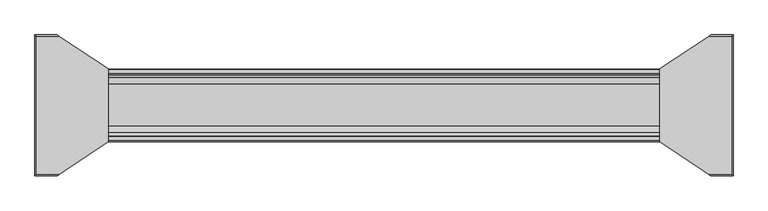
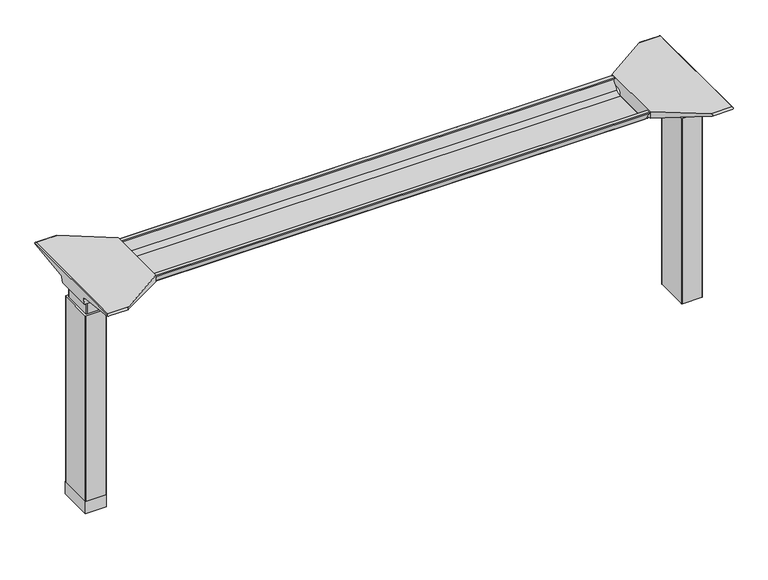
"""IFC4 building model written with IfcOpenShell, lengths in millimetres: furniture geometry."""

from ifc_helpers import new_model, si_unit, point, frame, frame_2d, origin, place, context, project, spatial, polyline, circle_curve, ellipse_curve, trimmed, segment, composite_curve, outline, extrude, source, transform, mapped, element, save
from ifc_brep_helpers import plane_surface, cylinder_surface, revolved_surface, advanced_brep


def furniture_be64d136(model_context):
    return source(origin(), model_context, "Body", "SolidModel", [
        advanced_brep(
        [(-731.4406297, 162.7292702, 645.6121733), (-565.7122138, 162.7292702, 645.6121733), (-580.0924181, 160.5008169, 642.9648785), (-728.9518591, 160.5008169, 642.9648785), (-731.6625278, 162.738256, 645.8482054), (-734.0619089, 163.3822827, 662.7649054), (-551.2773962, 163.3822827, 662.7649054), (-551.2773962, 163.0342965, 653.6243253), (-554.1075093, 162.9531058, 651.4916821), (-554.2501644, 162.8754397, 649.4516191), (-734.9185362, 168.8493181, 668.8045076), (-551.2773962, 168.8493181, 668.8045076), (-737.4393767, 283.4205225, 686.5775507), (-673.2243442, 283.4205225, 686.5775507), (-551.2773962, 202.6158, 674.0425877), (-737.5128152, 287.1965275, 687.0953243), (-678.9229255, 287.1965275, 687.0953243), (-738.1871296, 288.7067839, 691.8495399), (-736.4021288, 286.1298888, 694.0296), (-677.3132011, 286.1298888, 694.0296), (-738.1871296, -70.2667839, 691.8495399), (-737.5128152, -68.7565275, 687.0953243), (-678.9229255, -68.7565275, 687.0953243), (-677.3132011, -67.6898888, 694.0296), (-736.4021288, -67.6898888, 694.0296), (-737.4393767, -64.9805225, 686.5775507), (-673.2243442, -64.9805225, 686.5775507), (-734.9185362, 49.5906819, 668.8045076), (-551.2773962, 49.5906819, 668.8045076), (-551.2773962, 15.8242, 674.0425877), (-734.0619089, 55.0577173, 662.7649054), (-551.2773962, 55.0577173, 662.7649054), (-731.6625278, 55.701744, 645.8482054), (-731.4406297, 55.7107298, 645.6121733), (-565.7122138, 55.7107298, 645.6121733), (-554.2501644, 55.5645603, 649.4516191), (-554.1075093, 55.4868942, 651.4916821), (-551.2773962, 55.4057035, 653.6243253), (-728.9518591, 57.9391831, 642.9648785), (-580.0924181, 57.9391831, 642.9648785), (-551.2773962, 15.8242, 694.0296), (-551.2773962, 202.6158, 694.0296)],
        [
            (0, 1),
            (1, 2, ellipse_curve(frame((-589.9936465, 239.7670009, 737.1292722), z_axis=(0.0, 0.7650318638532662, -0.6439924279750482), x_axis=(0.0, 0.6439924279750482, 0.7650318638532662)), 123.7641411, 94.6835116)),
            (2, 3),
            (3, 0),
            (0, 4),
            (4, 5),
            (5, 6),
            (6, 7),
            (7, 8),
            (8, 9),
            (9, 1, ellipse_curve(frame((-589.9936465, 166.2133686, 737.1292722), z_axis=(0.0, 0.999276106683639, -0.03804290487316255), x_axis=(0.0, 0.03804290487316397, 0.999276106683639)), 94.752102, 94.6835116)),
            (5, 10, ellipse_curve(frame((-734.0119691, 169.8408409, 662.4128075), z_axis=(-0.9900906714849619, 0.0, -0.1404295632637843), x_axis=(-0.1404295632637846, 0.0, 0.9900906714849619)), 6.5328852, 6.4681487)),
            (10, 11),
            (11, 6, circle_curve(frame((-551.2773962, 169.8408409, 662.4128075), z_axis=(1.0, 0.0, 0.0), x_axis=(0.0, 1.0, 0.0)), 6.4681487)),
            (10, 12),
            (12, 13),
            (13, 14),
            (14, 11),
            (12, 15),
            (15, 16),
            (16, 13),
            (15, 17, ellipse_curve(frame((-737.9730772, 285.2194111, 690.3403755), z_axis=(0.9900906714849619, 0.0, 0.1404295632637843), x_axis=(0.1404295632637846, 0.0, -0.9900906714849619)), 3.8379455, 3.7999141)),
            (17, 18, ellipse_curve(frame((-739.422811, 285.2194111, 690.3403755), z_axis=(0.7737284588432124, 0.0, -0.6335173809581766), x_axis=(0.6335173809581766, 0.0, 0.7737284588432124)), 4.9111727, 3.7999141)),
            (18, 19),
            (19, 16, ellipse_curve(frame((-675.939148, 285.2194111, 690.3403755), z_axis=(-0.5523637579768881, -0.833603190297188, 0.0), x_axis=(0.833603190297188, -0.5523637579768881, 0.0)), 6.8793689, 3.7999141)),
            (20, 21, ellipse_curve(frame((-737.9730772, -66.7794111, 690.3403755), z_axis=(0.9900906714849619, 0.0, 0.1404295632637843), x_axis=(0.1404295632637846, 0.0, -0.9900906714849619)), 3.8379455, 3.7999141)),
            (21, 22),
            (22, 23, ellipse_curve(frame((-675.939148, -66.7794111, 690.3403755), z_axis=(-0.5523637579749648, 0.8336031902984624, 0.0), x_axis=(0.8336031902984624, 0.5523637579749648, 0.0)), 6.8793689, 3.7999141)),
            (23, 24),
            (24, 20, ellipse_curve(frame((-739.422811, -66.7794111, 690.3403755), z_axis=(0.7737284588432124, 0.0, -0.6335173809581766), x_axis=(0.6335173809581766, 0.0, 0.7737284588432124)), 4.9111727, 3.7999141)),
            (21, 25),
            (25, 26),
            (26, 22),
            (27, 28),
            (28, 29),
            (29, 26),
            (25, 27),
            (27, 30, ellipse_curve(frame((-734.0119691, 48.5991591, 662.4128075), z_axis=(-0.9900906714849619, 0.0, -0.1404295632637843), x_axis=(-0.1404295632637846, 0.0, 0.9900906714849619)), 6.5328852, 6.4681487)),
            (30, 31),
            (31, 28, circle_curve(frame((-551.2773962, 48.5991591, 662.4128075), z_axis=(1.0, 0.0, 0.0), x_axis=(0.0, 1.0, 0.0)), 6.4681487)),
            (30, 32),
            (32, 33),
            (33, 34),
            (34, 35, ellipse_curve(frame((-589.9936465, 52.2266314, 737.1292722), z_axis=(0.0, -0.9992761066836363, -0.03804290487323539), x_axis=(0.0, 0.03804290487323121, -0.9992761066836364)), 94.752102, 94.6835116)),
            (35, 36),
            (36, 37),
            (37, 31),
            (33, 38),
            (38, 39),
            (39, 34, ellipse_curve(frame((-589.9936465, -21.3270009, 737.1292722), z_axis=(0.0, -0.7650318638534733, -0.643992427974802), x_axis=(0.0, 0.643992427974802, -0.7650318638534732)), 123.7641411, 94.6835116)),
            (4, 32),
            (20, 17),
            (24, 18),
            (23, 40),
            (40, 41),
            (41, 19),
            (37, 7),
            (14, 41),
            (40, 29),
            (36, 8),
            (35, 9),
            (39, 2),
            (38, 3),
        ],
        [
            plane_surface(frame((-754.4773962, 160.5008169, 642.9648785), z_axis=(0.0, 0.7650318638532662, -0.6439924279750482), x_axis=(1.0, 0.0, 0.0))),
            plane_surface(frame((-754.4773962, 162.7292702, 645.6121733), z_axis=(0.0, 0.999276106683639, -0.03804290487316255), x_axis=(1.0, 0.0, 0.0))),
            revolved_surface(polyline([(-734.9293793154884, 176.3089896, 662.4128075), (-551.2773962, 176.3089896, 662.4128075)]), (-754.4773962, 169.8408409, 662.4128075), (-1.0, 0.0, 0.0)),
            plane_surface(frame((-754.4773962, 168.8493181, 668.8045076), z_axis=(0.0, 0.153293135871396, -0.9881807600306302), x_axis=(1.0, 0.0, 0.0))),
            plane_surface(frame((-754.4773962, 283.4205225, 686.5775507), z_axis=(0.0, 0.13585085469026903, -0.9907292996979162), x_axis=(1.0, 0.0, 0.0))),
            cylinder_surface(frame((-754.4773962, 285.2194111, 690.3403755), z_axis=(1.0, 0.0, 0.0), x_axis=(0.0, 1.0, 0.0)), 3.7999141),
            cylinder_surface(frame((-754.4773962, -66.7794111, 690.3403755), z_axis=(1.0, 0.0, 0.0), x_axis=(0.0, 1.0, 0.0)), 3.7999141),
            plane_surface(frame((-754.4773962, -68.7565275, 687.0953243), z_axis=(0.0, -0.13585085468791205, -0.9907292996982394), x_axis=(1.0, 0.0, 0.0))),
            plane_surface(frame((-754.4773962, -64.9805225, 686.5775507), z_axis=(0.0, -0.1532931358714066, -0.9881807600306285), x_axis=(1.0, 0.0, 0.0))),
            revolved_surface(polyline([(-734.9293793154884, 55.0673078, 662.4128075), (-551.2773962, 55.0673078, 662.4128075)]), (-754.4773962, 48.5991591, 662.4128075), (-1.0, 0.0, 0.0)),
            plane_surface(frame((-754.4773962, 55.0577173, 662.7649054), z_axis=(0.0, -0.9992761066836363, -0.03804290487323539), x_axis=(1.0, 0.0, 0.0))),
            plane_surface(frame((-754.4773962, 55.7107298, 645.6121733), z_axis=(0.0, -0.7650318638534733, -0.643992427974802), x_axis=(1.0, 0.0, 0.0))),
            plane_surface(frame((-731.6625278, 299.72, 645.8482054), z_axis=(-0.9900906714849619, 0.0, -0.1404295632637843), x_axis=(0.0, -1.0, 0.0))),
            plane_surface(frame((-738.1871296, 299.72, 691.8495399), z_axis=(-0.7737284588432124, 0.0, 0.6335173809581766), x_axis=(0.0, -1.0, 0.0))),
            plane_surface(frame((-736.4021288, 299.72, 694.0296), z_axis=(0.0, 0.0, 1.0), x_axis=(0.0, -1.0, 0.0))),
            plane_surface(frame((-551.2773962, 299.72, 694.0296), z_axis=(1.0, 0.0, 0.0), x_axis=(0.0, -1.0, 0.0))),
            plane_surface(frame((-551.2773962, 299.72, 653.6243253), z_axis=(0.6018150231516275, 0.0, -0.7986355100476099), x_axis=(0.0, -1.0, 0.0))),
            plane_surface(frame((-554.1075093, 299.72, 651.4916821), z_axis=(0.997564050259955, 0.0, -0.06975647374225681), x_axis=(0.0, -1.0, 0.0))),
            cylinder_surface(frame((-589.9936465, 299.72, 737.1292722), z_axis=(0.0, 1.0, 0.0), x_axis=(1.0, 0.0, 0.0)), 94.6835116),
            plane_surface(frame((-580.0924181, 299.72, 642.9648785), z_axis=(0.0, 0.0, -1.0), x_axis=(0.0, -1.0, 0.0))),
            plane_surface(frame((-728.9518591, 299.72, 642.9648785), z_axis=(-0.7285846064197382, 0.0, -0.684955817033621), x_axis=(0.0, -1.0, 0.0))),
            plane_surface(frame((-697.8228017, 299.72, 694.0296), z_axis=(0.5523637579768881, 0.833603190297188, 0.0), x_axis=(0.0, 0.0, -1.0))),
            plane_surface(frame((-551.2773962, 15.8242, 694.0296), z_axis=(0.5523637579749648, -0.8336031902984624, 0.0), x_axis=(0.0, 0.0, -1.0))),
        ],
        [
            (0, [[1, 2, 3, 4]]),
            (1, [[-1, 5, 6, 7, 8, 9, 10, 11]]),
            (2, [[-7, 12, 13, 14]]),
            (3, [[-13, 15, 16, 17, 18]]),
            (4, [[19, 20, 21, -16]]),
            (5, [[22, 23, 24, 25, -20]]),
            (6, [[26, 27, 28, 29, 30]]),
            (7, [[31, 32, 33, -27]]),
            (8, [[34, 35, 36, -32, 37]]),
            (9, [[-34, 38, 39, 40]]),
            (10, [[-39, 41, 42, 43, 44, 45, 46, 47]]),
            (11, [[-43, 48, 49, 50]]),
            (12, [[51, -41, -38, -37, -31, -26, 52, -22, -19, -15, -12, -6]]),
            (13, [[-52, -30, 53, -23]]),
            (14, [[-53, -29, 54, 55, 56, -24]]),
            (15, [[57, -8, -14, -18, 58, -55, 59, -35, -40, -47]]),
            (16, [[-57, -46, 60, -9]]),
            (17, [[-60, -45, 61, -10]]),
            (18, [[-61, -44, -50, 62, -2, -11]]),
            (19, [[-62, -49, 63, -3]]),
            (20, [[-51, -5, -4, -63, -48, -42]]),
            (21, [[-56, -58, -17, -21, -25]]),
            (22, [[-54, -28, -33, -36, -59]]),
        ],
    ),
        advanced_brep(
        [(870.5122138, 162.7292702, 645.6121733), (1036.2406297, 162.7292702, 645.6121733), (1033.7518591, 160.5008169, 642.9648785), (884.8924181, 160.5008169, 642.9648785), (859.0501644, 162.8754397, 649.4516191), (858.9075093, 162.9531058, 651.4916821), (856.2619573, 163.0290018, 653.4852485), (856.2619573, 163.3822827, 662.7649054), (1038.8619089, 163.3822827, 662.7649054), (1036.4625278, 162.738256, 645.8482054), (856.2619573, 168.8493181, 668.8045076), (1039.7185362, 168.8493181, 668.8045076), (856.2619573, 202.6089953, 674.0415321), (978.0570453, 283.4205225, 686.5775507), (1042.2393767, 283.4205225, 686.5775507), (1042.3128152, 287.1965275, 687.0953243), (983.7480509, 287.1965275, 687.0953243), (1042.9871296, 288.7067839, 691.8495399), (982.1404665, 286.1298888, 694.0296), (1041.2021288, 286.1298888, 694.0296), (1042.3128152, -68.7565275, 687.0953243), (1042.9871296, -70.2667839, 691.8495399), (1041.2021288, -67.6898888, 694.0296), (982.1404665, -67.6898888, 694.0296), (983.7480509, -68.7565275, 687.0953243), (1042.2393767, -64.9805225, 686.5775507), (978.0570453, -64.9805225, 686.5775507), (856.2619573, 49.5906819, 668.8045076), (1039.7185362, 49.5906819, 668.8045076), (856.2619573, 15.8310047, 674.0415321), (856.2619573, 55.0577173, 662.7649054), (1038.8619089, 55.0577173, 662.7649054), (856.2619573, 55.4109982, 653.4852485), (858.9075093, 55.4868942, 651.4916821), (859.0501644, 55.5645603, 649.4516191), (870.5122138, 55.7107298, 645.6121733), (1036.2406297, 55.7107298, 645.6121733), (1036.4625278, 55.701744, 645.8482054), (884.8924181, 57.9391831, 642.9648785), (1033.7518591, 57.9391831, 642.9648785), (856.2619573, 202.6089953, 694.0296), (856.2619573, 15.8310047, 694.0296)],
        [
            (0, 1),
            (1, 2),
            (2, 3),
            (3, 0, ellipse_curve(frame((894.7936465, 239.7670009, 737.1292722), z_axis=(0.0, 0.7650318638532565, -0.6439924279750596), x_axis=(0.0, -0.6439924279750596, -0.7650318638532564)), 123.7641411, 94.6835116)),
            (0, 4, ellipse_curve(frame((894.7936465, 166.2133686, 737.1292722), z_axis=(0.0, 0.9992761066836392, -0.03804290487315862), x_axis=(0.0, -0.03804290487315623, -0.9992761066836393)), 94.752102, 94.6835116)),
            (4, 5),
            (5, 6),
            (6, 7),
            (7, 8),
            (8, 9),
            (9, 1),
            (7, 10, circle_curve(frame((856.2619573, 169.8408409, 662.4128075), z_axis=(-1.0, 0.0, 0.0), x_axis=(0.0, 1.0, 0.0)), 6.4681487)),
            (10, 11),
            (11, 8, ellipse_curve(frame((1038.8119691, 169.8408409, 662.4128075), z_axis=(0.9900906714849659, 0.0, -0.1404295632637567), x_axis=(-0.1404295632637562, 0.0, -0.9900906714849659)), 6.5328852, 6.4681487)),
            (10, 12),
            (12, 13),
            (13, 14),
            (14, 11),
            (15, 14),
            (13, 16),
            (16, 15),
            (17, 15, ellipse_curve(frame((1042.7730772, 285.2194111, 690.3403755), z_axis=(-0.9900906714849659, 0.0, 0.1404295632637567), x_axis=(0.1404295632637562, 0.0, 0.9900906714849659)), 3.8379455, 3.7999141)),
            (16, 18, ellipse_curve(frame((980.76824, 285.2194111, 690.3403755), z_axis=(0.5528743936295237, -0.8332646067539329, 0.0), x_axis=(0.833264606753933, 0.5528743936295238, 0.0)), 6.8730151, 3.7999141)),
            (18, 19),
            (19, 17, ellipse_curve(frame((1044.222811, 285.2194111, 690.3403755), z_axis=(-0.7737284588399557, 0.0, -0.633517380962154), x_axis=(0.6335173809621538, 0.0, -0.7737284588399556)), 4.9111727, 3.7999141)),
            (20, 21, ellipse_curve(frame((1042.7730772, -66.7794111, 690.3403755), z_axis=(-0.9900906714849659, 0.0, 0.1404295632637567), x_axis=(0.1404295632637562, 0.0, 0.9900906714849659)), 3.8379455, 3.7999141)),
            (21, 22, ellipse_curve(frame((1044.222811, -66.7794111, 690.3403755), z_axis=(-0.7737284588399557, 0.0, -0.633517380962154), x_axis=(0.6335173809621538, 0.0, -0.7737284588399556)), 4.9111727, 3.7999141)),
            (22, 23),
            (23, 24, ellipse_curve(frame((980.76824, -66.7794111, 690.3403755), z_axis=(0.5528743936295046, 0.8332646067539456, 0.0), x_axis=(0.8332646067539456, -0.5528743936295046, 0.0)), 6.8730151, 3.7999141)),
            (24, 20),
            (25, 20),
            (24, 26),
            (26, 25),
            (27, 28),
            (28, 25),
            (26, 29),
            (29, 27),
            (27, 30, circle_curve(frame((856.2619573, 48.5991591, 662.4128075), z_axis=(-1.0, 0.0, 0.0), x_axis=(0.0, 1.0, 0.0)), 6.4681487)),
            (30, 31),
            (31, 28, ellipse_curve(frame((1038.8119691, 48.5991591, 662.4128075), z_axis=(0.9900906714849659, 0.0, -0.1404295632637567), x_axis=(-0.1404295632637562, 0.0, -0.9900906714849659)), 6.5328852, 6.4681487)),
            (30, 32),
            (32, 33),
            (33, 34),
            (34, 35, ellipse_curve(frame((894.7936465, 52.2266314, 737.1292722), z_axis=(0.0, -0.9992761066836363, -0.03804290487323539), x_axis=(0.0, -0.03804290487323121, 0.9992761066836364)), 94.752102, 94.6835116)),
            (35, 36),
            (36, 37),
            (37, 31),
            (35, 38, ellipse_curve(frame((894.7936465, -21.3270009, 737.1292722), z_axis=(0.0, -0.7650318638534733, -0.643992427974802), x_axis=(0.0, -0.643992427974802, 0.7650318638534732)), 123.7641411, 94.6835116)),
            (38, 39),
            (39, 36),
            (37, 9),
            (17, 21),
            (19, 22),
            (18, 40),
            (40, 41),
            (41, 23),
            (6, 32),
            (29, 41),
            (40, 12),
            (5, 33),
            (4, 34),
            (3, 38),
            (2, 39),
        ],
        [
            plane_surface(frame((856.2619573, 160.5008169, 642.9648785), z_axis=(0.0, 0.7650318638532565, -0.6439924279750596), x_axis=(1.0, 0.0, 0.0))),
            plane_surface(frame((856.2619573, 162.7292702, 645.6121733), z_axis=(0.0, 0.9992761066836392, -0.03804290487315862), x_axis=(1.0, 0.0, 0.0))),
            revolved_surface(polyline([(856.2619573, 176.3089896, 662.4128075), (1039.7293793154881, 176.3089896, 662.4128075)]), (856.2619573, 169.8408409, 662.4128075), (-1.0, 0.0, 0.0)),
            plane_surface(frame((856.2619573, 168.8493181, 668.8045076), z_axis=(0.0, 0.15329313587140309, -0.988180760030629), x_axis=(1.0, 0.0, 0.0))),
            plane_surface(frame((856.2619573, 283.4205225, 686.5775507), z_axis=(0.0, 0.1358508546900816, -0.9907292996979419), x_axis=(1.0, 0.0, 0.0))),
            cylinder_surface(frame((856.2619573, 285.2194111, 690.3403755), z_axis=(1.0, 0.0, 0.0), x_axis=(0.0, 1.0, 0.0)), 3.7999141),
            cylinder_surface(frame((856.2619573, -66.7794111, 690.3403755), z_axis=(1.0, 0.0, 0.0), x_axis=(0.0, 1.0, 0.0)), 3.7999141),
            plane_surface(frame((856.2619573, -68.7565275, 687.0953243), z_axis=(0.0, -0.1358508546877776, -0.9907292996982578), x_axis=(1.0, 0.0, 0.0))),
            plane_surface(frame((856.2619573, -64.9805225, 686.5775507), z_axis=(0.0, -0.15329313587141113, -0.9881807600306277), x_axis=(1.0, 0.0, 0.0))),
            revolved_surface(polyline([(856.2619573, 55.0673078, 662.4128075), (1039.7293793154881, 55.0673078, 662.4128075)]), (856.2619573, 48.5991591, 662.4128075), (-1.0, 0.0, 0.0)),
            plane_surface(frame((856.2619573, 55.0577173, 662.7649054), z_axis=(0.0, -0.9992761066836363, -0.03804290487323539), x_axis=(1.0, 0.0, 0.0))),
            plane_surface(frame((856.2619573, 55.7107298, 645.6121733), z_axis=(0.0, -0.7650318638534733, -0.643992427974802), x_axis=(1.0, 0.0, 0.0))),
            plane_surface(frame((1036.4625278, -81.28, 645.8482054), z_axis=(0.9900906714849659, 0.0, -0.1404295632637567), x_axis=(0.0, 1.0, 0.0))),
            plane_surface(frame((1042.9871296, -81.28, 691.8495399), z_axis=(0.7737284588399557, 0.0, 0.633517380962154), x_axis=(0.0, 1.0, 0.0))),
            plane_surface(frame((1041.2021288, -81.28, 694.0296), z_axis=(0.0, 0.0, 1.0), x_axis=(0.0, 1.0, 0.0))),
            plane_surface(frame((856.2619573, -81.28, 694.0296), z_axis=(-1.0, 0.0, 0.0), x_axis=(0.0, 1.0, 0.0))),
            plane_surface(frame((856.2619573, -81.28, 653.4852485), z_axis=(-0.6018150231540728, 0.0, -0.7986355100457674), x_axis=(0.0, 1.0, 0.0))),
            plane_surface(frame((858.9075093, -81.28, 651.4916821), z_axis=(-0.9975640502598287, 0.0, -0.06975647374406109), x_axis=(0.0, 1.0, 0.0))),
            cylinder_surface(frame((894.7936465, -81.28, 737.1292722), z_axis=(0.0, -1.0, 0.0), x_axis=(-1.0, 0.0, 0.0)), 94.6835116),
            plane_surface(frame((884.8924181, -81.28, 642.9648785), z_axis=(0.0, 0.0, -1.0), x_axis=(0.0, 1.0, 0.0))),
            plane_surface(frame((1033.7518591, -81.28, 642.9648785), z_axis=(0.7285846064222696, 0.0, -0.6849558170309284), x_axis=(0.0, 1.0, 0.0))),
            plane_surface(frame((856.2619573, 202.6089953, 694.0296), z_axis=(-0.5528743936295237, 0.8332646067539329, 0.0), x_axis=(0.0, 0.0, -1.0))),
            plane_surface(frame((1002.6228017, -81.28, 694.0296), z_axis=(-0.5528743936295046, -0.8332646067539456, 0.0), x_axis=(0.0, 0.0, -1.0))),
        ],
        [
            (0, [[1, 2, 3, 4]]),
            (1, [[-1, 5, 6, 7, 8, 9, 10, 11]]),
            (2, [[-9, 12, 13, 14]]),
            (3, [[-13, 15, 16, 17, 18]]),
            (4, [[19, -17, 20, 21]]),
            (5, [[22, -21, 23, 24, 25]]),
            (6, [[26, 27, 28, 29, 30]]),
            (7, [[31, -30, 32, 33]]),
            (8, [[34, 35, -33, 36, 37]]),
            (9, [[-34, 38, 39, 40]]),
            (10, [[-39, 41, 42, 43, 44, 45, 46, 47]]),
            (11, [[-45, 48, 49, 50]]),
            (12, [[51, -10, -14, -18, -19, -22, 52, -26, -31, -35, -40, -47]]),
            (13, [[-52, -25, 53, -27]]),
            (14, [[-53, -24, 54, 55, 56, -28]]),
            (15, [[57, -41, -38, -37, 58, -55, 59, -15, -12, -8]]),
            (16, [[-57, -7, 60, -42]]),
            (17, [[-60, -6, 61, -43]]),
            (18, [[-61, -5, -4, 62, -48, -44]]),
            (19, [[-62, -3, 63, -49]]),
            (20, [[-51, -46, -50, -63, -2, -11]]),
            (21, [[-54, -23, -20, -16, -59]]),
            (22, [[-56, -58, -36, -32, -29]]),
        ],
    ),
        advanced_brep(
        [(-551.2773962, 187.9031697, 688.8000894), (-551.2773962, 189.6675242, 691.0281511), (-551.2773962, 200.6481225, 691.0281511), (-551.2773962, 201.3782919, 688.4299085), (-551.2773962, 179.9519108, 658.8668148), (-551.2773962, 162.5510914, 650.2658863), (-551.2773962, 55.7632156, 650.2658863), (-551.2773962, 38.1354217, 659.3203482), (-551.2773962, 16.8007138, 689.0912054), (-551.2773962, 18.4392766, 691.1472572), (-551.2773962, 28.6544098, 691.1472572), (-551.2773962, 30.5253848, 688.8000894), (-551.2773962, 29.7841637, 688.2629822), (-551.2773962, 28.2139363, 690.2328572), (-551.2773962, 18.5353238, 690.2328572), (-551.2773962, 17.7294351, 689.3650366), (-551.2773962, 38.8786744, 659.8529858), (-551.2773962, 55.7632156, 651.1804536), (-551.2773962, 162.5510914, 651.1802863), (-551.2773962, 179.21844, 659.4129713), (-551.2773962, 200.5721627, 688.8758144), (-551.2773962, 200.3148942, 690.1137511), (-551.2773962, 190.109809, 690.1137511), (-551.2773962, 188.6442719, 688.2630419), (856.2619573, 187.9031697, 688.8000894), (856.2619573, 188.6442719, 688.2630419), (856.2619573, 190.109809, 690.1137511), (856.2619573, 200.3148942, 690.1137511), (856.2619573, 200.5721627, 688.8758144), (856.2619573, 179.21844, 659.4129713), (856.2619573, 162.5510914, 651.1802863), (856.2619573, 55.7632155, 651.1802863), (856.2619573, 38.8786744, 659.8529858), (856.2619573, 17.7294351, 689.3650366), (856.2619573, 18.5353238, 690.2328572), (856.2619573, 28.2139363, 690.2328572), (856.2619573, 29.7841637, 688.2629822), (856.2619573, 30.5253848, 688.8000894), (856.2619573, 28.6544098, 691.1472572), (856.2619573, 18.4392766, 691.1472572), (856.2619573, 16.8007138, 689.0912054), (856.2619573, 38.1354217, 659.3203482), (856.2619573, 55.7632156, 650.2660536), (856.2619573, 162.5510914, 650.2658863), (856.2619573, 179.9519108, 658.8668148), (856.2619573, 201.3782919, 688.4299085), (856.2619573, 200.6481225, 691.0281511), (856.2619573, 189.6675242, 691.0281511)],
        [
            (0, 1),
            (1, 2),
            (2, 3, circle_curve(frame((-551.2773962, 199.4305576, 689.2842667), z_axis=(-1.0, 0.0, 0.0), x_axis=(0.0, 1.0, 0.0)), 2.1268749)),
            (3, 4),
            (4, 5, circle_curve(frame((-551.2773962, 162.5510914, 672.1684336), z_axis=(-1.0, 0.0, 0.0), x_axis=(0.0, 1.0, 0.0)), 21.9025472)),
            (5, 6),
            (6, 7, circle_curve(frame((-551.2773962, 55.7632156, 671.952965), z_axis=(-1.0, 0.0, 0.0), x_axis=(0.0, 1.0, 0.0)), 21.6869114)),
            (7, 8),
            (8, 9, circle_curve(frame((-551.2773962, 18.8010635, 689.1779833), z_axis=(-1.0, 0.0, 0.0), x_axis=(0.0, 1.0, 0.0)), 2.0022311)),
            (9, 10),
            (10, 11),
            (11, 12),
            (12, 13),
            (13, 14),
            (14, 15, circle_curve(frame((-551.2773962, 18.8010635, 689.1779833), z_axis=(1.0, 0.0, 0.0), x_axis=(0.0, 1.0, 0.0)), 1.0878311)),
            (15, 16),
            (16, 17, circle_curve(frame((-551.2773962, 55.7632156, 671.952965), z_axis=(1.0, 0.0, 0.0), x_axis=(0.0, 1.0, 0.0)), 20.7725114)),
            (17, 18),
            (18, 19, circle_curve(frame((-551.2773962, 162.5510914, 672.1684336), z_axis=(1.0, 0.0, 0.0), x_axis=(0.0, 1.0, 0.0)), 20.9881473)),
            (19, 20),
            (20, 21, circle_curve(frame((-551.2773962, 199.4305576, 689.2842667), z_axis=(1.0, 0.0, 0.0), x_axis=(0.0, 1.0, 0.0)), 1.2124749)),
            (21, 22),
            (22, 23),
            (23, 0),
            (24, 25),
            (25, 26),
            (26, 27),
            (27, 28, circle_curve(frame((856.2619573, 199.4305576, 689.2842667), z_axis=(-1.0, 0.0, 0.0), x_axis=(0.0, 1.0, 0.0)), 1.2124749)),
            (28, 29),
            (29, 30, circle_curve(frame((856.2619573, 162.5510914, 672.1684336), z_axis=(-1.0, 0.0, 0.0), x_axis=(0.0, 1.0, 0.0)), 20.9881473)),
            (30, 31),
            (31, 32, circle_curve(frame((856.2619573, 55.7632156, 671.952965), z_axis=(-1.0, 0.0, 0.0), x_axis=(0.0, 1.0, 0.0)), 20.7725114)),
            (32, 33),
            (33, 34, circle_curve(frame((856.2619573, 18.8010635, 689.1779833), z_axis=(-1.0, 0.0, 0.0), x_axis=(0.0, 1.0, 0.0)), 1.0878311)),
            (34, 35),
            (35, 36),
            (36, 37),
            (37, 38),
            (38, 39),
            (39, 40, circle_curve(frame((856.2619573, 18.8010635, 689.1779833), z_axis=(1.0, 0.0, 0.0), x_axis=(0.0, 1.0, 0.0)), 2.0022311)),
            (40, 41),
            (41, 42, circle_curve(frame((856.2619573, 55.7632156, 671.952965), z_axis=(1.0, 0.0, 0.0), x_axis=(0.0, 1.0, 0.0)), 21.6869114)),
            (42, 43),
            (43, 44, circle_curve(frame((856.2619573, 162.5510914, 672.1684336), z_axis=(1.0, 0.0, 0.0), x_axis=(0.0, 1.0, 0.0)), 21.9025472)),
            (44, 45),
            (45, 46, circle_curve(frame((856.2619573, 199.4305576, 689.2842667), z_axis=(1.0, 0.0, 0.0), x_axis=(0.0, 1.0, 0.0)), 2.1268749)),
            (46, 47),
            (47, 24),
            (0, 24),
            (47, 1),
            (46, 2),
            (45, 3),
            (44, 4),
            (43, 5),
            (42, 6),
            (41, 7),
            (40, 8),
            (39, 9),
            (38, 10),
            (37, 11),
            (36, 12),
            (35, 13),
            (34, 14),
            (33, 15),
            (32, 16),
            (31, 17),
            (30, 18),
            (29, 19),
            (28, 20),
            (27, 21),
            (26, 22),
            (25, 23),
        ],
        [
            plane_surface(frame((-551.2773962, 109.22, 694.0296), z_axis=(-1.0, 0.0, 0.0), x_axis=(0.0, 0.0, 1.0))),
            plane_surface(frame((856.2619573, 109.22, 694.0296), z_axis=(1.0, 0.0, 0.0), x_axis=(0.0, 0.0, 1.0))),
            plane_surface(frame((-551.2773962, 187.9031697, 688.8000894), z_axis=(0.0, -0.7839649337165058, 0.6208051084703434), x_axis=(1.0, 0.0, 0.0))),
            plane_surface(frame((-551.2773962, 189.6675242, 691.0281511), z_axis=(0.0, 0.0, 1.0), x_axis=(1.0, 0.0, 0.0))),
            cylinder_surface(frame((-551.2773962, 199.4305576, 689.2842667), z_axis=(-1.0, 0.0, 0.0), x_axis=(0.0, 1.0, 0.0)), 2.1268749),
            plane_surface(frame((-551.2773962, 201.3782919, 688.4299085), z_axis=(0.0, 0.8096997445281038, -0.586844377762217), x_axis=(1.0, 0.0, 0.0))),
            cylinder_surface(frame((-551.2773962, 162.5510914, 672.1684336), z_axis=(-1.0, 0.0, 0.0), x_axis=(0.0, 1.0, 0.0)), 21.9025472),
            plane_surface(frame((-551.2773962, 162.5510914, 650.2658863), z_axis=(0.0, 0.0, -1.0), x_axis=(1.0, 0.0, 0.0))),
            cylinder_surface(frame((-551.2773962, 55.7632156, 671.952965), z_axis=(-1.0, 0.0, 0.0), x_axis=(0.0, 1.0, 0.0)), 21.6869114),
            plane_surface(frame((-551.2773962, 38.1354217, 659.3203482), z_axis=(0.0, -0.8128309997561537, -0.5824995844079305), x_axis=(1.0, 0.0, 0.0))),
            cylinder_surface(frame((-551.2773962, 18.8010635, 689.1779833), z_axis=(-1.0, 0.0, 0.0), x_axis=(0.0, 1.0, 0.0)), 2.0022311),
            plane_surface(frame((-551.2773962, 18.4392766, 691.1472572), z_axis=(0.0, 0.0, 1.0), x_axis=(1.0, 0.0, 0.0))),
            plane_surface(frame((-551.2773962, 28.6544098, 691.1472572), z_axis=(0.0, 0.7819660587237972, 0.6233210112004657), x_axis=(1.0, 0.0, 0.0))),
            plane_surface(frame((-551.2773962, 30.5253848, 688.8000894), z_axis=(0.0, 0.5867684336468096, -0.8097547809526473), x_axis=(1.0, 0.0, 0.0))),
            plane_surface(frame((-551.2773962, 29.7841637, 688.2629822), z_axis=(0.0, -0.7819660587239206, -0.6233210112003109), x_axis=(1.0, 0.0, 0.0))),
            plane_surface(frame((-551.2773962, 28.2139363, 690.2328572), z_axis=(0.0, 0.0, -1.0), x_axis=(1.0, 0.0, 0.0))),
            revolved_surface(polyline([(856.2619572999998, 19.8888946, 689.1779833), (-551.2773962, 19.8888946, 689.1779833)]), (-551.2773962, 18.8010635, 689.1779833), (1.0, 0.0, 0.0)),
            plane_surface(frame((-551.2773962, 17.7294351, 689.3650366), z_axis=(0.0, 0.8128309996716102, 0.582499584525904), x_axis=(1.0, 0.0, 0.0))),
            revolved_surface(polyline([(856.2619572999998, 76.53572700000001, 671.952965), (-551.2773962, 76.53572700000001, 671.952965)]), (-551.2773962, 55.7632156, 671.952965), (1.0, 0.0, 0.0)),
            plane_surface(frame((-551.2773962, 55.7632155, 651.1802863), z_axis=(0.0, 0.0, 1.0), x_axis=(1.0, 0.0, 0.0))),
            revolved_surface(polyline([(856.2619572999998, 183.5392387, 672.1684336), (-551.2773962, 183.5392387, 672.1684336)]), (-551.2773962, 162.5510914, 672.1684336), (1.0, 0.0, 0.0)),
            plane_surface(frame((-551.2773962, 179.21844, 659.4129713), z_axis=(0.0, -0.8096997449536107, 0.5868443771751228), x_axis=(1.0, 0.0, 0.0))),
            revolved_surface(polyline([(856.2619572999998, 200.64303249999998, 689.2842667), (-551.2773962, 200.64303249999998, 689.2842667)]), (-551.2773962, 199.4305576, 689.2842667), (1.0, 0.0, 0.0)),
            plane_surface(frame((-551.2773962, 200.3148942, 690.1137511), z_axis=(0.0, 0.0, -1.0), x_axis=(1.0, 0.0, 0.0))),
            plane_surface(frame((-551.2773962, 190.109809, 690.1137511), z_axis=(0.0, 0.7839649337164979, -0.6208051084703533), x_axis=(1.0, 0.0, 0.0))),
            plane_surface(frame((-551.2773962, 188.6442719, 688.2630419), z_axis=(0.0, -0.5867873637752554, -0.8097410633737715), x_axis=(1.0, 0.0, 0.0))),
        ],
        [
            (0, [[1, 2, 3, 4, 5, 6, 7, 8, 9, 10, 11, 12, 13, 14, 15, 16, 17, 18, 19, 20, 21, 22, 23, 24]]),
            (1, [[25, 26, 27, 28, 29, 30, 31, 32, 33, 34, 35, 36, 37, 38, 39, 40, 41, 42, 43, 44, 45, 46, 47, 48]]),
            (2, [[-1, 49, -48, 50]]),
            (3, [[-2, -50, -47, 51]]),
            (4, [[-3, -51, -46, 52]]),
            (5, [[-4, -52, -45, 53]]),
            (6, [[-5, -53, -44, 54]]),
            (7, [[-6, -54, -43, 55]]),
            (8, [[-7, -55, -42, 56]]),
            (9, [[-8, -56, -41, 57]]),
            (10, [[-9, -57, -40, 58]]),
            (11, [[-10, -58, -39, 59]]),
            (12, [[-11, -59, -38, 60]]),
            (13, [[-12, -60, -37, 61]]),
            (14, [[-13, -61, -36, 62]]),
            (15, [[-14, -62, -35, 63]]),
            (16, [[-15, -63, -34, 64]]),
            (17, [[-16, -64, -33, 65]]),
            (18, [[-17, -65, -32, 66]]),
            (19, [[-18, -66, -31, 67]]),
            (20, [[-19, -67, -30, 68]]),
            (21, [[-20, -68, -29, 69]]),
            (22, [[-21, -69, -28, 70]]),
            (23, [[-22, -70, -27, 71]]),
            (24, [[-23, -71, -26, 72]]),
            (25, [[-24, -72, -25, -49]]),
        ],
    ),
        advanced_brep(
        [(979.8283088, 153.9682497, 642.9648785), (977.0624028, 151.6150111, 642.9648785), (977.0624028, 66.8413858, 642.9648785), (980.1159671, 64.491987, 642.9648785), (1023.4299922, 64.4717503, 642.9648785), (1026.4895972, 66.8414936, 642.9648785), (1026.4895972, 151.6150956, 642.9648785), (1023.7236912, 153.9682497, 642.9648785), (979.8283088, 153.9682497, 606.552), (1023.7236912, 153.9682497, 606.552), (1026.4895972, 151.6150956, 606.552), (1026.4895972, 66.8414936, 606.552), (1023.4360098, 64.4919923, 606.552), (980.1220078, 64.4717503, 606.552), (977.0624028, 66.8413858, 606.552), (977.0624028, 151.6150111, 606.552)],
        [
            (0, 1, circle_curve(frame((980.1300788, 150.8114719, 642.9648785), z_axis=(0.0, 0.0, 1.0), x_axis=(1.0, 0.0, 0.0)), 3.1711688)),
            (1, 2),
            (2, 3, circle_curve(frame((980.1159671, 67.651078, 642.9648785), z_axis=(0.0, 0.0, 1.0), x_axis=(1.0, 0.0, 0.0)), 3.1590911)),
            (3, 4),
            (4, 5, circle_curve(frame((1023.4360098, 67.651078, 642.9648785), z_axis=(0.0, 0.0, 1.0), x_axis=(1.0, 0.0, 0.0)), 3.1590858)),
            (5, 6),
            (6, 7, circle_curve(frame((1023.4219439, 150.8114698, 642.9648785), z_axis=(0.0, 0.0, 1.0), x_axis=(1.0, 0.0, 0.0)), 3.1711687)),
            (7, 0),
            (8, 9),
            (9, 10, circle_curve(frame((1023.4219439, 150.8114698, 606.552), z_axis=(0.0, 0.0, -1.0), x_axis=(1.0, 0.0, 0.0)), 3.1711687)),
            (10, 11),
            (11, 12, circle_curve(frame((1023.4360098, 67.651078, 606.552), z_axis=(0.0, 0.0, -1.0), x_axis=(1.0, 0.0, 0.0)), 3.1590858)),
            (12, 13),
            (13, 14, circle_curve(frame((980.1159671, 67.651078, 606.552), z_axis=(0.0, 0.0, -1.0), x_axis=(1.0, 0.0, 0.0)), 3.1590911)),
            (14, 15),
            (15, 8, circle_curve(frame((980.1300788, 150.8114719, 606.552), z_axis=(0.0, 0.0, -1.0), x_axis=(1.0, 0.0, 0.0)), 3.1711688)),
            (7, 9),
            (8, 0),
            (6, 10),
            (5, 11),
            (4, 12),
            (3, 13),
            (2, 14),
            (1, 15),
        ],
        [
            plane_surface(frame((983.3012476, 150.8114719, 642.9648785), z_axis=(0.0, 0.0, 1.0), x_axis=(0.0, 1.0, 0.0))),
            plane_surface(frame((983.3012476, 150.8114719, 606.552), z_axis=(0.0, 0.0, -1.0), x_axis=(0.0, -1.0, 0.0))),
            plane_surface(frame((1023.7236912, 153.9682497, 642.9648785), z_axis=(0.0, 1.0, 0.0), x_axis=(0.0, 0.0, -1.0))),
            cylinder_surface(frame((1023.4219439, 150.8114698, 606.552), z_axis=(0.0, 0.0, 1.0), x_axis=(1.0, 0.0, 0.0)), 3.1711687),
            plane_surface(frame((1026.4895972, 66.8414936, 642.9648785), z_axis=(1.0, 0.0, 0.0), x_axis=(0.0, 0.0, -1.0))),
            cylinder_surface(frame((1023.4360098, 67.651078, 606.552), z_axis=(0.0, 0.0, 1.0), x_axis=(1.0, 0.0, 0.0)), 3.1590858),
            plane_surface(frame((980.1220078, 64.4717503, 642.9648785), z_axis=(0.0, -1.0, 0.0), x_axis=(0.0, 0.0, -1.0))),
            cylinder_surface(frame((980.1159671, 67.651078, 606.552), z_axis=(0.0, 0.0, 1.0), x_axis=(1.0, 0.0, 0.0)), 3.1590911),
            plane_surface(frame((977.0624028, 151.6150111, 642.9648785), z_axis=(-1.0, 0.0, 0.0), x_axis=(0.0, 0.0, -1.0))),
            cylinder_surface(frame((980.1300788, 150.8114719, 606.552), z_axis=(0.0, 0.0, 1.0), x_axis=(1.0, 0.0, 0.0)), 3.1711688),
        ],
        [
            (0, [[1, 2, 3, 4, 5, 6, 7, 8]]),
            (1, [[9, 10, 11, 12, 13, 14, 15, 16]]),
            (2, [[-8, 17, -9, 18]]),
            (3, [[-7, 19, -10, -17]]),
            (4, [[-6, 20, -11, -19]]),
            (5, [[-5, 21, -12, -20]]),
            (6, [[-4, 22, -13, -21]]),
            (7, [[-3, 23, -14, -22]]),
            (8, [[-2, 24, -15, -23]]),
            (9, [[-1, -18, -16, -24]]),
        ],
    ),
        advanced_brep(
        [(-675.0283088, 153.9682497, 642.9648785), (-718.9236912, 153.9682497, 642.9648785), (-721.6806448, 151.6485241, 642.9648785), (-721.6806448, 66.8084508, 642.9648785), (-718.6360098, 64.4919923, 642.9648785), (-675.3220078, 64.4717503, 642.9648785), (-672.2713552, 66.8083475, 642.9648785), (-672.2713552, 151.6484433, 642.9648785), (-675.0283088, 153.9682497, 606.552), (-672.2713552, 151.6484433, 606.552), (-672.2713552, 66.8083475, 606.552), (-675.3159671, 64.491987, 606.552), (-718.6299922, 64.4717503, 606.552), (-721.6806448, 66.8084508, 606.552), (-721.6806448, 151.6485241, 606.552), (-718.9236912, 153.9682497, 606.552)],
        [
            (0, 1),
            (1, 2, circle_curve(frame((-718.6219439, 150.8114698, 642.9648785), z_axis=(0.0, 0.0, 1.0), x_axis=(-1.0, 0.0, 0.0)), 3.1711687)),
            (2, 3),
            (3, 4, circle_curve(frame((-718.6360098, 67.651078, 642.9648785), z_axis=(0.0, 0.0, 1.0), x_axis=(-1.0, 0.0, 0.0)), 3.1590858)),
            (4, 5),
            (5, 6, circle_curve(frame((-675.3159671, 67.6510781, 642.9648785), z_axis=(0.0, 0.0, 1.0), x_axis=(-1.0, 0.0, 0.0)), 3.1590911)),
            (6, 7),
            (7, 0, circle_curve(frame((-675.3300788, 150.8114719, 642.9648785), z_axis=(0.0, 0.0, 1.0), x_axis=(-1.0, 0.0, 0.0)), 3.1711688)),
            (8, 9, circle_curve(frame((-675.3300788, 150.8114719, 606.552), z_axis=(0.0, 0.0, -1.0), x_axis=(-1.0, 0.0, 0.0)), 3.1711688)),
            (9, 10),
            (10, 11, circle_curve(frame((-675.3159671, 67.6510781, 606.552), z_axis=(0.0, 0.0, -1.0), x_axis=(-1.0, 0.0, 0.0)), 3.1590911)),
            (11, 12),
            (12, 13, circle_curve(frame((-718.6360098, 67.651078, 606.552), z_axis=(0.0, 0.0, -1.0), x_axis=(-1.0, 0.0, 0.0)), 3.1590858)),
            (13, 14),
            (14, 15, circle_curve(frame((-718.6219439, 150.8114698, 606.552), z_axis=(0.0, 0.0, -1.0), x_axis=(-1.0, 0.0, 0.0)), 3.1711687)),
            (15, 8),
            (0, 8),
            (15, 1),
            (14, 2),
            (13, 3),
            (12, 4),
            (11, 5),
            (10, 6),
            (9, 7),
        ],
        [
            plane_surface(frame((-718.9236912, 153.9682497, 642.9648785), z_axis=(0.0, 0.0, 1.0), x_axis=(-1.0, 0.0, 0.0))),
            plane_surface(frame((-718.9236912, 153.9682497, 606.552), z_axis=(0.0, 0.0, -1.0), x_axis=(1.0, 0.0, 0.0))),
            plane_surface(frame((-675.0283088, 153.9682497, 642.9648785), z_axis=(0.0, 1.0, 0.0), x_axis=(0.0, 0.0, -1.0))),
            cylinder_surface(frame((-718.6219439, 150.8114698, 606.552), z_axis=(0.0, 0.0, 1.0), x_axis=(-1.0, 0.0, 0.0)), 3.1711687),
            plane_surface(frame((-721.6806448, 151.6485241, 642.9648785), z_axis=(-1.0, 0.0, 0.0), x_axis=(0.0, 0.0, -1.0))),
            cylinder_surface(frame((-718.6360098, 67.651078, 606.552), z_axis=(0.0, 0.0, 1.0), x_axis=(-1.0, 0.0, 0.0)), 3.1590858),
            plane_surface(frame((-718.6299922, 64.4717503, 642.9648785), z_axis=(0.0, -1.0, 0.0), x_axis=(0.0, 0.0, -1.0))),
            cylinder_surface(frame((-675.3159671, 67.6510781, 606.552), z_axis=(0.0, 0.0, 1.0), x_axis=(-1.0, 0.0, 0.0)), 3.1590911),
            plane_surface(frame((-672.2713552, 66.8083475, 642.9648785), z_axis=(1.0, 0.0, 0.0), x_axis=(0.0, 0.0, -1.0))),
            cylinder_surface(frame((-675.3300788, 150.8114719, 606.552), z_axis=(0.0, 0.0, 1.0), x_axis=(-1.0, 0.0, 0.0)), 3.1711688),
        ],
        [
            (0, [[1, 2, 3, 4, 5, 6, 7, 8]]),
            (1, [[9, 10, 11, 12, 13, 14, 15, 16]]),
            (2, [[-1, 17, -16, 18]]),
            (3, [[-2, -18, -15, 19]]),
            (4, [[-3, -19, -14, 20]]),
            (5, [[-4, -20, -13, 21]]),
            (6, [[-5, -21, -12, 22]]),
            (7, [[-6, -22, -11, 23]]),
            (8, [[-7, -23, -10, 24]]),
            (9, [[-8, -24, -9, -17]]),
        ],
    ),
        extrude(outline(composite_curve([segment(trimmed(circle_curve(frame_2d((-669.316092, 156.945908)), 2.248592), [point((-669.316092, 159.1945))], [point((-667.0675, 156.945908))], False, "CARTESIAN"), True, "CONTINUOUS"), segment(polyline([(-667.0675, 156.945908), (-667.0675, 61.4941469)]), True, "CONTINUOUS"), segment(trimmed(circle_curve(frame_2d((-669.3161469, 61.4941469)), 2.2486469), [point((-667.0675, 61.4941469))], [point((-669.3161469, 59.2455))], False, "CARTESIAN"), True, "CONTINUOUS"), segment(polyline([(-669.3161469, 59.2455), (-724.635908, 59.2455)]), True, "CONTINUOUS"), segment(trimmed(circle_curve(frame_2d((-724.635908, 61.494092)), 2.248592), [point((-724.635908, 59.2455))], [point((-726.8845, 61.494092))], False, "CARTESIAN"), True, "CONTINUOUS"), segment(polyline([(-726.8845, 61.494092), (-726.8845, 156.945908)]), True, "CONTINUOUS"), segment(trimmed(circle_curve(frame_2d((-724.635908, 156.945908)), 2.248592), [point((-726.8845, 156.945908))], [point((-724.635908, 159.1945))], False, "CARTESIAN"), True, "CONTINUOUS"), segment(polyline([(-724.635908, 159.1945), (-669.316092, 159.1945)]), True, "CONTINUOUS")], self_intersect=False)), frame((0.0, 0.0, 48.1000573), z_axis=(0.0, 0.0, 1.0), x_axis=(1.0, 0.0, 0.0)), (0.0, 0.0, 1.0), 558.4519427),
        advanced_brep(
        [(-696.976, 127.2221653, 10.2361894), (-696.976, 141.2419153, 10.2361894), (-696.976, 140.8547401, 8.7946116), (-696.976, 127.6093405, 8.7946116), (-696.976, 134.2320403, 10.2361894), (-696.976, 113.2751519, 0.0), (-696.976, 155.1889286, 0.0), (-696.976, 134.2320403, 0.0), (-696.976, 111.7314216, 1.5436985), (-696.976, 156.732659, 1.5436985), (-696.976, 111.7314763, 4.1072626), (-696.976, 156.7326043, 4.1072626), (-696.976, 113.2713167, 5.9174378), (-696.976, 155.1927639, 5.9174378)],
        [
            (0, 1, circle_curve(frame((-696.976, 134.2320403, 10.2361894), z_axis=(0.0, 0.0, -1.0), x_axis=(0.0, 1.0, 0.0)), 7.009875)),
            (1, 2),
            (2, 3, circle_curve(frame((-696.976, 134.2320403, 8.7946116), z_axis=(0.0, 0.0, 1.0), x_axis=(0.0, 1.0, 0.0)), 6.6226998)),
            (3, 0),
            (1, 0, circle_curve(frame((-696.976, 134.2320403, 10.2361894), z_axis=(0.0, 0.0, -1.0), x_axis=(0.0, 1.0, 0.0)), 7.009875)),
            (3, 2, circle_curve(frame((-696.976, 134.2320403, 8.7946116), z_axis=(0.0, 0.0, 1.0), x_axis=(0.0, 1.0, 0.0)), 6.6226998)),
            (4, 1),
            (0, 4),
            (5, 6, circle_curve(frame((-696.976, 134.2320403, 0.0), z_axis=(0.0, 0.0, -1.0), x_axis=(0.0, 1.0, 0.0)), 20.9568884)),
            (6, 7),
            (7, 5),
            (6, 5, circle_curve(frame((-696.976, 134.2320403, 0.0), z_axis=(0.0, 0.0, -1.0), x_axis=(0.0, 1.0, 0.0)), 20.9568884)),
            (8, 9, circle_curve(frame((-696.976, 134.2320403, 1.5436985), z_axis=(0.0, 0.0, -1.0), x_axis=(0.0, 1.0, 0.0)), 22.5006187)),
            (9, 6),
            (5, 8),
            (9, 8, circle_curve(frame((-696.976, 134.2320403, 1.5436985), z_axis=(0.0, 0.0, -1.0), x_axis=(0.0, 1.0, 0.0)), 22.5006187)),
            (10, 11, circle_curve(frame((-696.976, 134.2320403, 4.1072626), z_axis=(0.0, 0.0, -1.0), x_axis=(0.0, 1.0, 0.0)), 22.500564)),
            (11, 9),
            (8, 10),
            (11, 10, circle_curve(frame((-696.976, 134.2320403, 4.1072626), z_axis=(0.0, 0.0, -1.0), x_axis=(0.0, 1.0, 0.0)), 22.500564)),
            (12, 13, circle_curve(frame((-696.976, 134.2320403, 5.9174378), z_axis=(0.0, 0.0, -1.0), x_axis=(0.0, 1.0, 0.0)), 20.9607236)),
            (13, 11),
            (10, 12),
            (13, 12, circle_curve(frame((-696.976, 134.2320403, 5.9174378), z_axis=(0.0, 0.0, -1.0), x_axis=(0.0, 1.0, 0.0)), 20.9607236)),
            (2, 13),
            (12, 3),
        ],
        [
            revolved_surface(polyline([(-696.976, 140.8547401, 8.7946116), (-696.976, 141.2419153, 10.2361894)]), (-696.976, 134.2320403, 0.0), (0.0, 0.0, 1.0)),
            plane_surface(frame((-696.976, 134.2320403, 10.2361894), z_axis=(0.0, 0.0, 1.0), x_axis=(0.0, 1.0, 0.0))),
            plane_surface(frame((-696.976, 134.2320403, 0.0), z_axis=(0.0, 0.0, -1.0), x_axis=(0.0, 1.0, 0.0))),
            revolved_surface(polyline([(-696.976, 155.1889286, 0.0), (-696.976, 156.732659, 1.5436985)]), (-696.976, 134.2320403, 0.0), (0.0, 0.0, 1.0)),
            cylinder_surface(frame((-696.976, 134.2320403, 0.0), z_axis=(0.0, 0.0, 1.0), x_axis=(0.0, 1.0, 0.0)), 22.500564),
            revolved_surface(polyline([(-696.976, 156.7327498, 4.1072626), (-696.976, 155.1927639, 5.9174378)]), (-696.976, 134.2320403, 0.0), (0.0, 0.0, 1.0)),
            revolved_surface(polyline([(-696.976, 155.1927639, 5.9174378), (-696.976, 140.8547401, 8.7946116)]), (-696.976, 134.2320403, 0.0), (0.0, 0.0, 1.0)),
        ],
        [
            (0, [[1, 2, 3, 4]]),
            (0, [[5, -4, 6, -2]]),
            (1, [[7, -1, 8]]),
            (1, [[-8, -5, -7]]),
            (2, [[9, 10, 11]]),
            (2, [[12, -11, -10]]),
            (3, [[13, 14, -9, 15]]),
            (3, [[16, -15, -12, -14]]),
            (4, [[17, 18, -13, 19]]),
            (4, [[20, -19, -16, -18]]),
            (5, [[21, 22, -17, 23]]),
            (5, [[24, -23, -20, -22]]),
            (6, [[-3, 25, -21, 26]]),
            (6, [[-6, -26, -24, -25]]),
        ],
    ),
        extrude(outline(polyline([(-667.0675, 158.9882127), (-667.0675, 59.6052169), (-726.8845, 59.6052169), (-726.8845, 158.9882127), (-667.0675, 158.9882127)])), frame((0.0, 0.0, 10.2361894), z_axis=(0.0, 0.0, 1.0), x_axis=(1.0, 0.0, 0.0)), (0.0, 0.0, 1.0), 37.8638679),
        extrude(outline(composite_curve([segment(trimmed(circle_curve(frame_2d((1029.3521079, 156.8621079)), 2.3323921), [point((1029.3521079, 159.1945))], [point((1031.6845, 156.8621079))], False, "CARTESIAN"), True, "CONTINUOUS"), segment(polyline([(1031.6845, 156.8621079), (1031.6845, 61.5778921)]), True, "CONTINUOUS"), segment(trimmed(circle_curve(frame_2d((1029.3521079, 61.5778921)), 2.3323921), [point((1031.6845, 61.5778921))], [point((1029.3521079, 59.2455))], False, "CARTESIAN"), True, "CONTINUOUS"), segment(polyline([(1029.3521079, 59.2455), (974.1998921, 59.2455)]), True, "CONTINUOUS"), segment(trimmed(circle_curve(frame_2d((974.1998921, 61.5778921)), 2.3323921), [point((974.1998921, 59.2455))], [point((971.8675, 61.5778921))], False, "CARTESIAN"), True, "CONTINUOUS"), segment(polyline([(971.8675, 61.5778921), (971.8675, 156.8621079)]), True, "CONTINUOUS"), segment(trimmed(circle_curve(frame_2d((974.1998921, 156.8621079)), 2.3323921), [point((971.8675, 156.8621079))], [point((974.1998921, 159.1945))], False, "CARTESIAN"), True, "CONTINUOUS"), segment(polyline([(974.1998921, 159.1945), (1029.3521079, 159.1945)]), True, "CONTINUOUS")], self_intersect=False)), frame((0.0, 0.0, 48.1000573), z_axis=(0.0, 0.0, 1.0), x_axis=(1.0, 0.0, 0.0)), (0.0, 0.0, 1.0), 558.4519427),
    ])


if __name__ == "__main__":
    model = new_model("IFC4")
    model_context = context("Model", 3, world=origin())
    ifc_project = project(units=[si_unit("LENGTHUNIT", "METRE", prefix="MILLI")], contexts=[model_context])
    site = spatial("IfcSite", under=ifc_project)
    building = spatial("IfcBuilding", under=site)
    placement = place(None, origin())
    furniture_shape = furniture_be64d136(model_context)
    element("IfcFurniture", 1, at=placement, inside=building, context=model_context, shape_type="MappedRepresentation", body=[
        mapped(furniture_shape, transform((0.0, 0.0, 0.0), x_axis=(1.0, 0.0, 0.0), y_axis=(0.0, 1.0, 0.0), z_axis=(0.0, 0.0, 1.0))),
    ])
    save(model, "model.ifc")
